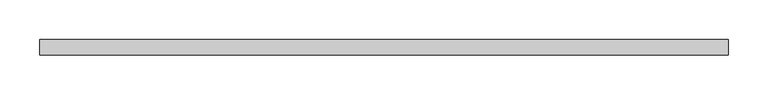
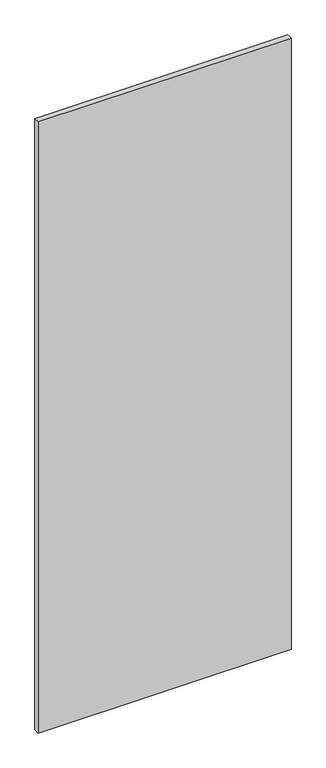
"""IFC4 building model written with IfcOpenShell, lengths in millimetres: proxy geometry."""

import ifcopenshell
import ifcopenshell.guid

model = None  # the IFC model being written
_history = None  # IfcOwnerHistory: only IFC2X3 demands one
_inside = {}  # id of a spatial element -> (the spatial element, [elements in it])
_under = {}  # id of a project, library or spatial element -> (it, [spatial elements below it])
_declared = {}  # id of a project -> (the project, [libraries it declares])
_typed = {}  # id of a type object -> (the type object, [elements of that type])
_made_of = {}  # id of a material, layer set ... -> (it, [elements and type objects made of it])


def new_model(schema):
    """Start an empty IFC model of exactly this schema.

    Asked for "IFC4X3", IfcOpenShell would pick the latest addendum, in which some entities
    have other attributes; the version numbers below select the first issue.
    IFC2X3 requires an IfcOwnerHistory on every rooted entity: one is made here for all.
    """
    global model, _history
    if schema == "IFC4X3":
        model = ifcopenshell.file(schema_version=(4, 3, 0, 0))
    else:
        model = ifcopenshell.file(schema=schema)
    _inside.clear()
    _under.clear()
    _declared.clear()
    _typed.clear()
    _made_of.clear()
    _history = None
    if model.schema == "IFC2X3":
        org = make("IfcOrganization", Name="unknown")
        user = make(
            "IfcPersonAndOrganization",
            ThePerson=make("IfcPerson", FamilyName="unknown"),
            TheOrganization=org,
        )
        app = make(
            "IfcApplication",
            ApplicationDeveloper=org,
            Version="unknown",
            ApplicationFullName="unknown",
            ApplicationIdentifier="unknown",
        )
        _history = make(
            "IfcOwnerHistory",
            OwningUser=user,
            OwningApplication=app,
            ChangeAction="ADDED",
            CreationDate=0,
        )
    return model


def make(cls, **values):
    """One entity of the class cls with the attributes given. An attribute that is None is left unset."""
    return model.create_entity(
        cls, **{name: value for name, value in values.items() if value is not None}
    )


def rooted(cls, **values):
    """An entity with a GlobalId (a new one), such as an element, a storey or a relation."""
    return make(cls, GlobalId=ifcopenshell.guid.new(), OwnerHistory=_history, **values)


def si_unit(unit_type, name, prefix=None):
    """IfcSIUnit, for example si_unit("LENGTHUNIT", "METRE", prefix="MILLI")."""
    return make("IfcSIUnit", UnitType=unit_type, Prefix=prefix, Name=name)


def assignment(units):
    """IfcUnitAssignment: the units of a project."""
    return None if units is None else make("IfcUnitAssignment", Units=units)


def point(xyz):
    """IfcCartesianPoint."""
    return None if xyz is None else make("IfcCartesianPoint", Coordinates=xyz)


def direction(xyz):
    """IfcDirection."""
    return None if xyz is None else make("IfcDirection", DirectionRatios=xyz)


def frame(location, z_axis=None, x_axis=None):
    """IfcAxis2Placement3D, a coordinate frame: its origin and axes. An axis left out is left unset."""
    return make(
        "IfcAxis2Placement3D",
        Location=point(location),
        Axis=direction(z_axis),
        RefDirection=direction(x_axis),
    )


def origin():
    """The frame at (0, 0, 0) with its axes left unset."""
    return frame((0.0, 0.0, 0.0))


def place(relative_to, where):
    """IfcLocalPlacement: puts the frame where relative to a parent placement (None: the world)."""
    return make(
        "IfcLocalPlacement", PlacementRelTo=relative_to, RelativePlacement=where
    )


def context(
    kind, dimensions, precision=None, world=None, true_north=None, identifier=None
):
    """IfcGeometricRepresentationContext, for example the 3D "Model" context."""
    return make(
        "IfcGeometricRepresentationContext",
        ContextIdentifier=identifier,
        ContextType=kind,
        CoordinateSpaceDimension=dimensions,
        Precision=precision,
        WorldCoordinateSystem=world,
        TrueNorth=true_north,
    )


def project(units=None, contexts=None):
    """IfcProject with its units and contexts."""
    return rooted(
        "IfcProject",
        Name="project",
        RepresentationContexts=contexts,
        UnitsInContext=assignment(units),
    )


def spatial(cls, under=None, at=None, **own):
    """A site, building, storey or space (cls), placed at a placement, below another one or the project."""
    s = rooted(cls, ObjectPlacement=at, **own)
    if under is not None:
        _under.setdefault(under.id(), (under, []))[1].append(s)
    return s


def polyline(points):
    """IfcPolyline through the points."""
    return make("IfcPolyline", Points=[point(p) for p in points])


def outline(outer, holes=None, kind="AREA"):
    """IfcArbitraryClosedProfileDef: a profile drawn as a closed curve; with holes, ...WithVoids."""
    if holes is None:
        return make("IfcArbitraryClosedProfileDef", ProfileType=kind, OuterCurve=outer)
    return make(
        "IfcArbitraryProfileDefWithVoids",
        ProfileType=kind,
        OuterCurve=outer,
        InnerCurves=holes,
    )


def extrude(swept, where, along, depth):
    """IfcExtrudedAreaSolid: the profile swept, set in the frame where, extruded along a direction by depth."""
    return make(
        "IfcExtrudedAreaSolid",
        SweptArea=swept,
        Position=where,
        ExtrudedDirection=direction(along),
        Depth=depth,
    )


def shape(context_of_items, identifier, shape_type, items):
    """IfcShapeRepresentation: the items that make up one representation, for example the "Body"."""
    return make(
        "IfcShapeRepresentation",
        ContextOfItems=context_of_items,
        RepresentationIdentifier=identifier,
        RepresentationType=shape_type,
        Items=items,
    )


def source(mapping_origin, context_of_items, identifier, shape_type, items):
    """IfcRepresentationMap: a shape defined once, which mapped items show again and again."""
    return make(
        "IfcRepresentationMap",
        MappingOrigin=mapping_origin,
        MappedRepresentation=shape(context_of_items, identifier, shape_type, items),
    )


def transform(
    local_origin,
    x_axis=None,
    y_axis=None,
    z_axis=None,
    scale=None,
    scale2=None,
    scale3=None,
    uniform=True,
):
    """IfcCartesianTransformationOperator3D, or its non-uniform kind. x_axis, y_axis, z_axis: its Axis1, 2, 3."""
    if uniform:
        return make(
            "IfcCartesianTransformationOperator3D",
            Axis1=direction(x_axis),
            Axis2=direction(y_axis),
            LocalOrigin=point(local_origin),
            Scale=scale,
            Axis3=direction(z_axis),
        )
    return make(
        "IfcCartesianTransformationOperator3DnonUniform",
        Axis1=direction(x_axis),
        Axis2=direction(y_axis),
        LocalOrigin=point(local_origin),
        Scale=scale,
        Axis3=direction(z_axis),
        Scale2=scale2,
        Scale3=scale3,
    )


def mapped(mapping_source, mapping_target):
    """IfcMappedItem: shows the shape of a source again, moved by a transform."""
    return make(
        "IfcMappedItem", MappingSource=mapping_source, MappingTarget=mapping_target
    )


def made_of(thing, what):
    """Note that an element or type object is made of a material, layer set ...; save() writes the relation."""
    if what is not None:
        _made_of.setdefault(what.id(), (what, []))[1].append(thing)
    return thing


def element(
    cls,
    number,
    at=None,
    inside=None,
    cuts=None,
    type_object=None,
    material=None,
    context=None,
    identifier="Body",
    shape_type=None,
    held_by="IfcProductDefinitionShape",
    body=None,
    shapes=None,
    **own,
):
    """One element of the class cls, such as IfcWall. Its Tag is "e" and its number.

    at: its placement. inside: the storey or other place that contains it. cuts: it is an
    opening in that element (IfcRelVoidsElement). A single representation is given by context,
    identifier, shape_type and body (its items); several are given by shapes. held_by: the class
    of the entity that holds the representations. save() writes the other relations.
    """
    e = rooted(cls, Tag="e%d" % number, ObjectPlacement=at, **own)
    if body is not None:
        shapes = [shape(context, identifier, shape_type, body)]
    if shapes is not None:
        e.Representation = make(held_by, Representations=shapes)
    if inside is not None:
        _inside.setdefault(inside.id(), (inside, []))[1].append(e)
    if cuts is not None:
        rooted(
            "IfcRelVoidsElement", RelatingBuildingElement=cuts, RelatedOpeningElement=e
        )
    if type_object is not None:
        _typed.setdefault(type_object.id(), (type_object, []))[1].append(e)
    return made_of(e, material)


def aggregate(whole, parts):
    """IfcRelAggregates: a whole, such as a stair, and the parts it consists of."""
    return rooted("IfcRelAggregates", RelatingObject=whole, RelatedObjects=parts)


def save(model, path):
    """Write the relations noted so far, then the file.

    IfcRelAggregates (storeys below a building ...), IfcRelContainedInSpatialStructure (elements
    in a storey), IfcRelDefinesByType, IfcRelAssociatesMaterial and IfcRelDeclares: one each for
    every whole, place, type object, material and project.
    """
    for whole, parts in _under.values():
        aggregate(whole, parts)
    for where, things in _inside.values():
        rooted(
            "IfcRelContainedInSpatialStructure",
            RelatedElements=things,
            RelatingStructure=where,
        )
    for kind, things in _typed.values():
        rooted("IfcRelDefinesByType", RelatedObjects=things, RelatingType=kind)
    for what, things in _made_of.values():
        rooted("IfcRelAssociatesMaterial", RelatedObjects=things, RelatingMaterial=what)
    for by, libraries in _declared.values():
        rooted("IfcRelDeclares", RelatingContext=by, RelatedDefinitions=libraries)
    model.write(path)


def specialty_equipment_97fbdcce(model_context):
    return source(origin(), model_context, "Body", "SweptSolid", [
        extrude(outline(polyline([(431.199949, -9.525), (-431.199949, -9.525), (-431.199949, 9.525), (431.199949, 9.525), (431.199949, -9.525)])), frame((0.0, 0.0, 3.175), z_axis=(0.0, 0.0, 1.0), x_axis=(1.0, 0.0, 0.0)), (0.0, 0.0, 1.0), 2203.45),
    ])


if __name__ == "__main__":
    model = new_model("IFC4")
    model_context = context("Model", 3, world=origin())
    ifc_project = project(units=[si_unit("LENGTHUNIT", "METRE", prefix="MILLI")], contexts=[model_context])
    site = spatial("IfcSite", under=ifc_project)
    building = spatial("IfcBuilding", under=site)
    placement = place(None, origin())
    specialty_equipment_shape = specialty_equipment_97fbdcce(model_context)
    element("IfcBuildingElementProxy", 1, Name="Specialty Equipment", at=placement, inside=building, context=model_context, shape_type="MappedRepresentation", body=[
        mapped(specialty_equipment_shape, transform((0.0, 0.0, 0.0), x_axis=(1.0, 0.0, 0.0), y_axis=(0.0, 1.0, 0.0), z_axis=(0.0, 0.0, 1.0))),
    ])
    save(model, "model.ifc")
